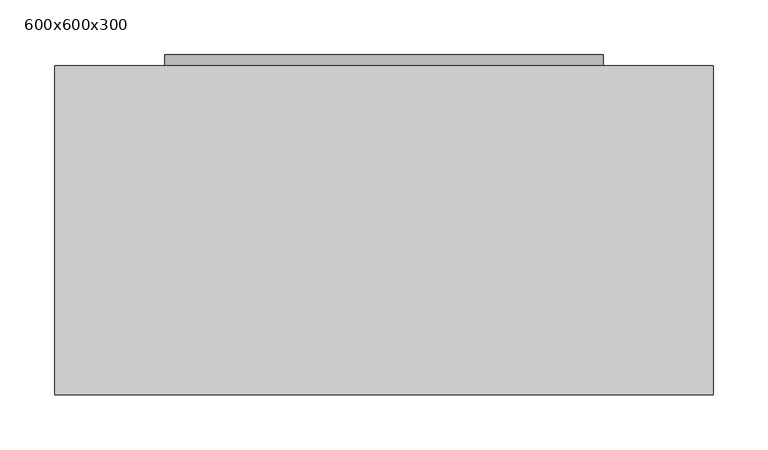
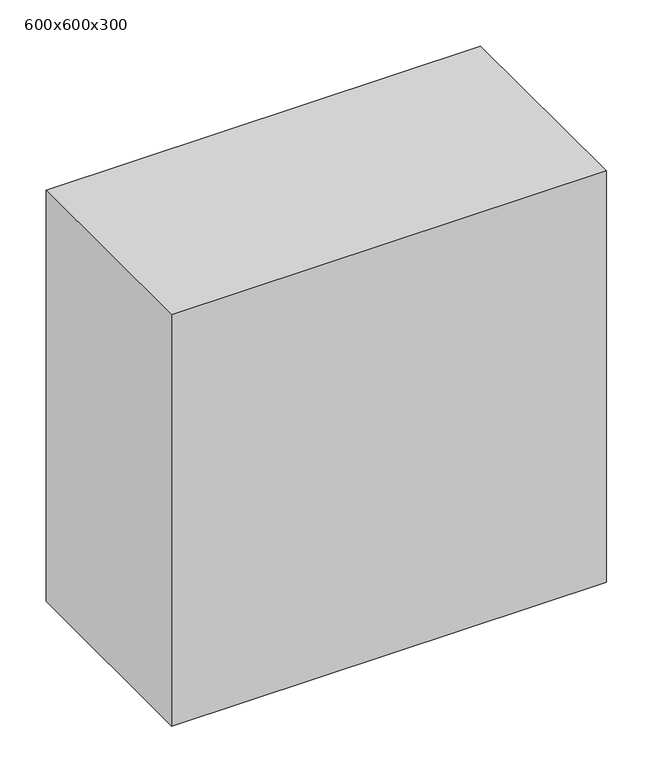
"""IFC4 building model written with IfcOpenShell, lengths in millimetres: proxy geometry, 600x600x300."""

from ifc_helpers import new_model, si_unit, point, frame, frame_2d, origin, origin_with_axes, place, context, project, spatial, polyline, circle_curve, trimmed, segment, composite_curve, outline, extrude, source, transform, mapped, element, save


def proxy_600x600x300_57b0c3ca(model_context):
    return source(origin(), model_context, "Body", "SweptSolid", [
        extrude(outline(polyline([(-220.0924812, 60.0), (-220.0924812, 360.0), (379.9075188, 360.0), (379.9075188, 60.0), (-220.0924812, 60.0)])), origin_with_axes(), (0.0, 0.0, 1.0), 600.0),
        extrude(outline(composite_curve([segment(trimmed(circle_curve(frame_2d((300.0, 79.9075188)), 200.0), [point((300.0, -120.0924812))], [point((300.0, 279.9075188))], False, "CARTESIAN"), True, "CONTINUOUS"), segment(trimmed(circle_curve(frame_2d((300.0, 79.9075188)), 200.0), [point((300.0, 279.9075188))], [point((300.0, -120.0924812))], False, "CARTESIAN"), True, "CONTINUOUS")], self_intersect=False)), frame((0.0, 360.0, 0.0), z_axis=(0.0, 1.0, 0.0), x_axis=(0.0, 0.0, 1.0)), (0.0, 0.0, 1.0), 10.0),
    ])


if __name__ == "__main__":
    model = new_model("IFC4")
    model_context = context("Model", 3, world=origin())
    ifc_project = project(units=[si_unit("LENGTHUNIT", "METRE", prefix="MILLI")], contexts=[model_context])
    site = spatial("IfcSite", under=ifc_project)
    building = spatial("IfcBuilding", under=site)
    placement = place(None, origin())
    proxy_600x600x300_shape = proxy_600x600x300_57b0c3ca(model_context)
    element("IfcBuildingElementProxy", 1, Name="600x600x300", ObjectType="600x600x300", at=placement, inside=building, context=model_context, shape_type="MappedRepresentation", body=[
        mapped(proxy_600x600x300_shape, transform((0.0, 0.0, 0.0), x_axis=(1.0, 0.0, 0.0), y_axis=(0.0, 1.0, 0.0), z_axis=(0.0, 0.0, 1.0))),
    ])
    save(model, "model.ifc")
